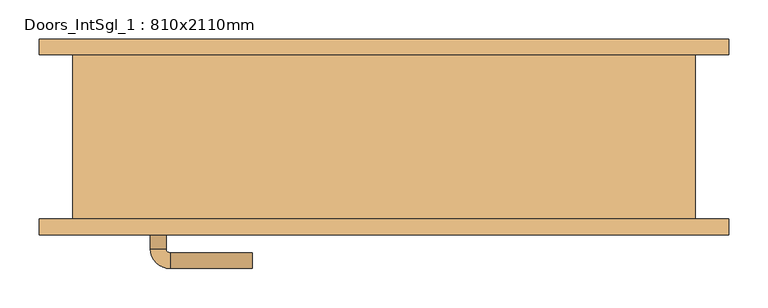
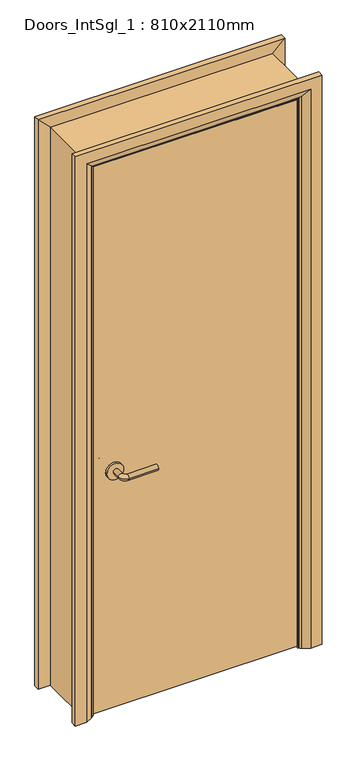
"""IFC4 building model written with IfcOpenShell, lengths in millimetres: door geometry, Doors_IntSgl_1 : 810x2110mm."""

from ifc_helpers import new_model, si_unit, point, frame, frame_2d, origin, place, context, project, spatial, polyline, circle_curve, ellipse_curve, trimmed, segment, composite_curve, outline, extrude, faceted_brep, source, transform, mapped, element, save
from ifc_brep_helpers import plane_surface, cylinder_surface, revolved_surface, advanced_brep


def doors_intsgl_1_810x2110mm_0abac51a(model_context):
    return source(origin(), model_context, "Body", "SolidModel", [
        advanced_brep(
        [(-298.0, -59.0, 900.0), (-278.0, -59.0, 900.0), (-298.0, -29.0, 900.0), (-278.0, -29.0, 900.0), (-273.0, -24.0, 900.0), (-273.0, -4.0, 900.0), (-168.0, -4.0, 900.0), (-168.0, -24.0, 900.0)],
        [
            (0, 1, circle_curve(frame((-288.0, -59.0, 900.0), z_axis=(0.0, -1.0, 0.0), x_axis=(1.0, 0.0, 0.0)), 10.0)),
            (1, 0, circle_curve(frame((-288.0, -59.0, 900.0), z_axis=(0.0, -1.0, 0.0), x_axis=(1.0, 0.0, 0.0)), 10.0)),
            (0, 2),
            (2, 3, circle_curve(frame((-288.0, -29.0, 900.0), z_axis=(0.0, -1.0, 0.0), x_axis=(1.0, 0.0, 0.0)), 10.0)),
            (3, 1),
            (3, 2, circle_curve(frame((-288.0, -29.0, 900.0), z_axis=(0.0, -1.0, 0.0), x_axis=(1.0, 0.0, 0.0)), 10.0)),
            (4, 3, circle_curve(frame((-273.0, -29.0, 900.0), z_axis=(0.0, 0.0, 1.0), x_axis=(-1.0, 0.0, 0.0)), 5.0)),
            (2, 5, circle_curve(frame((-273.0, -29.0, 900.0), z_axis=(0.0, 0.0, -1.0), x_axis=(-1.0, 0.0, 0.0)), 25.0)),
            (5, 4, circle_curve(frame((-273.0, -14.0, 900.0), z_axis=(-1.0, 0.0, 0.0), x_axis=(0.0, -1.0, 0.0)), 10.0)),
            (4, 5, circle_curve(frame((-273.0, -14.0, 900.0), z_axis=(-1.0, 0.0, 0.0), x_axis=(0.0, -1.0, 0.0)), 10.0)),
            (6, 7, circle_curve(frame((-168.0, -14.0, 900.0), z_axis=(1.0, 0.0, 0.0), x_axis=(0.0, -1.0, 0.0)), 10.0)),
            (7, 6, circle_curve(frame((-168.0, -14.0, 900.0), z_axis=(1.0, 0.0, 0.0), x_axis=(0.0, -1.0, 0.0)), 10.0)),
            (5, 6),
            (7, 4),
        ],
        [
            plane_surface(frame((-288.0, -59.0, 900.0), z_axis=(0.0, -1.0, 0.0), x_axis=(0.0, 0.0, 1.0))),
            cylinder_surface(frame((-288.0, -59.0, 900.0), z_axis=(0.0, -1.0, 0.0), x_axis=(1.0, 0.0, 0.0)), 10.0),
            revolved_surface(trimmed(ellipse_curve(frame((-288.0, -29.0, 900.0), z_axis=(0.0, -1.0, 0.0), x_axis=(1.0, 0.0, 0.0)), 10.0, 10.0), [point((-298.0, -29.0, 900.0))], [point((-278.0, -29.0, 900.0))], True, "CARTESIAN"), (-273.0, -29.0, 900.0), (0.0, 0.0, -1.0)),
            revolved_surface(trimmed(ellipse_curve(frame((-288.0, -29.0, 900.0), z_axis=(0.0, -1.0, 0.0), x_axis=(1.0, 0.0, 0.0)), 10.0, 10.0), [point((-278.0, -29.0, 900.0))], [point((-298.0, -29.0, 900.0))], True, "CARTESIAN"), (-273.0, -29.0, 900.0), (0.0, 0.0, -1.0)),
            plane_surface(frame((-168.0, -14.0, 900.0), z_axis=(1.0, 0.0, 0.0), x_axis=(0.0, 0.0, 1.0))),
            cylinder_surface(frame((-273.0, -14.0, 900.0), z_axis=(-1.0, 0.0, 0.0), x_axis=(0.0, -1.0, 0.0)), 10.0),
        ],
        [
            (0, [[1, 2]]),
            (1, [[-1, 3, 4, 5]]),
            (1, [[-2, -5, 6, -3]]),
            (2, [[7, -4, 8, 9]]),
            (3, [[-8, -6, -7, 10]]),
            (4, [[11, 12]]),
            (5, [[-9, 13, -12, 14]]),
            (5, [[-10, -14, -11, -13]]),
        ],
    ),
        extrude(outline(composite_curve([segment(trimmed(circle_curve(frame_2d((900.0, -290.5)), 30.0), [point((900.0, -320.5))], [point((900.0, -260.5))], False, "CARTESIAN"), True, "CONTINUOUS"), segment(trimmed(circle_curve(frame_2d((900.0, -290.5)), 30.0), [point((900.0, -260.5))], [point((900.0, -320.5))], False, "CARTESIAN"), True, "CONTINUOUS")], self_intersect=False)), frame((0.0, -67.0, 0.0), z_axis=(0.0, 1.0, 0.0), x_axis=(0.0, 0.0, 1.0)), (0.0, 0.0, 1.0), 8.0),
        advanced_brep(
        [(-298.0, -113.0, 900.0), (-278.0, -113.0, 900.0), (-278.0, -143.0, 900.0), (-298.0, -143.0, 900.0), (-273.0, -148.0, 900.0), (-273.0, -168.0, 900.0), (-168.0, -168.0, 900.0), (-168.0, -148.0, 900.0)],
        [
            (0, 1, circle_curve(frame((-288.0, -113.0, 900.0), z_axis=(0.0, 1.0, 0.0), x_axis=(1.0, 0.0, 0.0)), 10.0)),
            (1, 0, circle_curve(frame((-288.0, -113.0, 900.0), z_axis=(0.0, 1.0, 0.0), x_axis=(1.0, 0.0, 0.0)), 10.0)),
            (1, 2),
            (2, 3, circle_curve(frame((-288.0, -143.0, 900.0), z_axis=(0.0, 1.0, 0.0), x_axis=(1.0, 0.0, 0.0)), 10.0)),
            (3, 0),
            (3, 2, circle_curve(frame((-288.0, -143.0, 900.0), z_axis=(0.0, 1.0, 0.0), x_axis=(1.0, 0.0, 0.0)), 10.0)),
            (4, 5, circle_curve(frame((-273.0, -158.0, 900.0), z_axis=(-1.0, 0.0, 0.0), x_axis=(0.0, 1.0, 0.0)), 10.0)),
            (5, 3, circle_curve(frame((-273.0, -143.0, 900.0), z_axis=(0.0, 0.0, -1.0), x_axis=(-1.0, 0.0, 0.0)), 25.0)),
            (2, 4, circle_curve(frame((-273.0, -143.0, 900.0), z_axis=(0.0, 0.0, 1.0), x_axis=(-1.0, 0.0, 0.0)), 5.0)),
            (5, 4, circle_curve(frame((-273.0, -158.0, 900.0), z_axis=(-1.0, 0.0, 0.0), x_axis=(0.0, 1.0, 0.0)), 10.0)),
            (6, 7, circle_curve(frame((-168.0, -158.0, 900.0), z_axis=(1.0, 0.0, 0.0), x_axis=(0.0, 1.0, 0.0)), 10.0)),
            (7, 6, circle_curve(frame((-168.0, -158.0, 900.0), z_axis=(1.0, 0.0, 0.0), x_axis=(0.0, 1.0, 0.0)), 10.0)),
            (4, 7),
            (6, 5),
        ],
        [
            plane_surface(frame((-288.0, -113.0, 900.0), z_axis=(0.0, 1.0, 0.0), x_axis=(0.0, 0.0, 1.0))),
            cylinder_surface(frame((-288.0, -113.0, 900.0), z_axis=(0.0, 1.0, 0.0), x_axis=(1.0, 0.0, 0.0)), 10.0),
            revolved_surface(trimmed(ellipse_curve(frame((-288.0, -143.0, 900.0), z_axis=(0.0, -1.0, 0.0), x_axis=(1.0, 0.0, 0.0)), 10.0, 10.0), [point((-298.0, -143.0, 900.0))], [point((-278.0, -143.0, 900.0))], True, "CARTESIAN"), (-273.0, -143.0, 900.0), (0.0, 0.0, -1.0)),
            revolved_surface(trimmed(ellipse_curve(frame((-288.0, -143.0, 900.0), z_axis=(0.0, -1.0, 0.0), x_axis=(1.0, 0.0, 0.0)), 10.0, 10.0), [point((-278.0, -143.0, 900.0))], [point((-298.0, -143.0, 900.0))], True, "CARTESIAN"), (-273.0, -143.0, 900.0), (0.0, 0.0, -1.0)),
            plane_surface(frame((-168.0, -158.0, 900.0), z_axis=(1.0, 0.0, 0.0), x_axis=(0.0, 0.0, 1.0))),
            cylinder_surface(frame((-273.0, -158.0, 900.0), z_axis=(-1.0, 0.0, 0.0), x_axis=(0.0, 1.0, 0.0)), 10.0),
        ],
        [
            (0, [[1, 2]]),
            (1, [[3, 4, 5, -2]]),
            (1, [[-5, 6, -3, -1]]),
            (2, [[7, 8, -4, 9]]),
            (3, [[10, -9, -6, -8]]),
            (4, [[11, 12]]),
            (5, [[13, -11, 14, -7]]),
            (5, [[-14, -12, -13, -10]]),
        ],
    ),
        extrude(outline(composite_curve([segment(trimmed(circle_curve(frame_2d((900.0, -290.5)), 30.0), [point((900.0, -320.5))], [point((900.0, -260.5))], False, "CARTESIAN"), True, "CONTINUOUS"), segment(trimmed(circle_curve(frame_2d((900.0, -290.5)), 30.0), [point((900.0, -260.5))], [point((900.0, -320.5))], False, "CARTESIAN"), True, "CONTINUOUS")], self_intersect=False)), frame((0.0, -113.0, 0.0), z_axis=(0.0, 1.0, 0.0), x_axis=(0.0, 0.0, 1.0)), (0.0, 0.0, 1.0), 8.0),
        extrude(outline(polyline([(363.0, -67.0), (363.0, -105.0), (-363.0, -105.0), (-363.0, -67.0), (363.0, -67.0)])), frame((0.0, 0.0, 8.0), z_axis=(0.0, 0.0, 1.0), x_axis=(1.0, 0.0, 0.0)), (0.0, 0.0, 1.0), 2060.0),
        advanced_brep(
        [(440.0, -125.0, 0.0), (400.0, -125.0, 0.0), (374.0, -111.0, 0.0), (370.0, -105.0, 0.0), (440.0, -105.0, 0.0), (440.0, -105.0, 2145.0), (440.0, -125.0, 2145.0), (370.0, -105.0, 2075.0), (-370.0, -105.0, 2075.0), (-370.0, -105.0, 0.0), (-440.0, -105.0, 0.0), (-440.0, -105.0, 2145.0), (374.0, -111.0, 2079.0), (400.0, -125.0, 2105.0), (-440.0, -125.0, 2145.0), (-440.0, -125.0, 0.0), (-400.0, -125.0, 0.0), (-400.0, -125.0, 2105.0), (-374.0, -111.0, 0.0), (-374.0, -111.0, 2079.0)],
        [
            (0, 1),
            (1, 2),
            (2, 3, circle_curve(frame((378.0, -104.0, 0.0), z_axis=(0.0, 0.0, -1.0), x_axis=(1.0, 0.0, 0.0)), 8.0622577)),
            (3, 4),
            (4, 0),
            (4, 5),
            (5, 6),
            (6, 0),
            (3, 7),
            (7, 8),
            (8, 9),
            (9, 10),
            (10, 11),
            (11, 5),
            (2, 12),
            (12, 7, ellipse_curve(frame((378.0, -104.0, 2083.0), z_axis=(0.7071067811865475, 0.0, -0.7071067811865475), x_axis=(-0.7071067811865474, 0.0, -0.7071067811865476)), 11.4017543, 8.0622577)),
            (1, 13),
            (13, 12),
            (6, 14),
            (14, 15),
            (15, 16),
            (16, 17),
            (17, 13),
            (10, 15),
            (14, 11),
            (9, 18, circle_curve(frame((-378.0, -104.0, 0.0), z_axis=(0.0, 0.0, -1.0), x_axis=(-1.0, 0.0, 0.0)), 8.0622577)),
            (18, 16),
            (19, 18),
            (8, 19, ellipse_curve(frame((-378.0, -104.0, 2083.0), z_axis=(-0.7071067811865475, 0.0, -0.7071067811865475), x_axis=(-0.7071067811865474, 0.0, 0.7071067811865476)), 11.4017543, 8.0622577)),
            (19, 17),
            (12, 19),
        ],
        [
            plane_surface(frame((370.0, -105.0, 0.0), z_axis=(0.0, 0.0, -1.0), x_axis=(0.0, 1.0, 0.0))),
            plane_surface(frame((440.0, -125.0, 0.0), z_axis=(1.0, 0.0, 0.0), x_axis=(0.0, 0.0, 1.0))),
            plane_surface(frame((440.0, -105.0, 0.0), z_axis=(0.0, 1.0, 0.0), x_axis=(0.0, 0.0, 1.0))),
            cylinder_surface(frame((378.0, -104.0, 0.0), z_axis=(0.0, 0.0, -1.0), x_axis=(1.0, 0.0, 0.0)), 8.0622577),
            plane_surface(frame((374.0, -111.0, 0.0), z_axis=(-0.4740998230350126, -0.880471099922178, 0.0), x_axis=(0.0, 0.0, 1.0))),
            plane_surface(frame((400.0, -125.0, 0.0), z_axis=(0.0, -1.0, 0.0), x_axis=(0.0, 0.0, 1.0))),
            plane_surface(frame((-440.0, -125.0, 2145.0), z_axis=(-1.0, 0.0, 0.0), x_axis=(0.0, 0.0, -1.0))),
            plane_surface(frame((-370.0, -105.0, 0.0), z_axis=(0.0, 0.0, -1.0), x_axis=(0.0, 1.0, 0.0))),
            cylinder_surface(frame((-378.0, -104.0, 2075.0), z_axis=(0.0, 0.0, 1.0), x_axis=(-1.0, 0.0, 0.0)), 8.0622577),
            plane_surface(frame((-374.0, -111.0, 2079.0), z_axis=(0.47409982303501824, -0.8804710999221749, 0.0), x_axis=(0.0, 0.0, -1.0))),
            plane_surface(frame((440.0, -125.0, 2145.0), z_axis=(0.0, 0.0, 1.0), x_axis=(-1.0, 0.0, 0.0))),
            cylinder_surface(frame((370.0, -104.0, 2083.0), z_axis=(1.0, 0.0, 0.0), x_axis=(0.0, 0.0, 1.0)), 8.0622577),
            plane_surface(frame((374.0, -111.0, 2079.0), z_axis=(0.0, -0.8804710999221764, -0.4740998230350154), x_axis=(-1.0, 0.0, 0.0))),
        ],
        [
            (0, [[1, 2, 3, 4, 5]]),
            (1, [[6, 7, 8, -5]]),
            (2, [[9, 10, 11, 12, 13, 14, -6, -4]]),
            (3, [[15, 16, -9, -3]]),
            (4, [[17, 18, -15, -2]]),
            (5, [[-8, 19, 20, 21, 22, 23, -17, -1]]),
            (6, [[-13, 24, -20, 25]]),
            (7, [[-24, -12, 26, 27, -21]]),
            (8, [[28, -26, -11, 29]]),
            (9, [[-22, -27, -28, 30]]),
            (10, [[-14, -25, -19, -7]]),
            (11, [[31, -29, -10, -16]]),
            (12, [[-23, -30, -31, -18]]),
        ],
    ),
        extrude(outline(polyline([(0.0, -346.0), (2051.0, -346.0), (2051.0, 346.0), (0.0, 346.0), (0.0, 365.0), (2070.0, 365.0), (2070.0, -365.0), (0.0, -365.0), (0.0, -346.0)])), frame((0.0, -65.0, 0.0), z_axis=(0.0, 1.0, 0.0), x_axis=(0.0, 0.0, 1.0)), (0.0, 0.0, 1.0), 32.0),
        advanced_brep(
        [(-440.0, 125.0, 0.0), (-400.0, 125.0, 0.0), (-374.0, 111.0, 0.0), (-370.0, 105.0, 0.0), (-440.0, 105.0, 0.0), (-440.0, 105.0, 2145.0), (-440.0, 125.0, 2145.0), (-370.0, 105.0, 2075.0), (-374.0, 111.0, 2079.0), (-400.0, 125.0, 2105.0), (440.0, 125.0, 0.0), (440.0, 105.0, 0.0), (370.0, 105.0, 0.0), (374.0, 111.0, 0.0), (400.0, 125.0, 0.0), (440.0, 125.0, 2145.0), (400.0, 125.0, 2105.0), (374.0, 111.0, 2079.0), (370.0, 105.0, 2075.0), (440.0, 105.0, 2145.0)],
        [
            (0, 1),
            (1, 2),
            (2, 3, circle_curve(frame((-378.0, 104.0, 0.0), z_axis=(0.0, 0.0, -1.0), x_axis=(-1.0, 0.0, 0.0)), 8.0622577)),
            (3, 4),
            (4, 0),
            (4, 5),
            (5, 6),
            (6, 0),
            (3, 7),
            (7, 5),
            (2, 8),
            (8, 7, ellipse_curve(frame((-378.0, 104.0, 2083.0), z_axis=(-0.7071067811865475, 0.0, -0.7071067811865475), x_axis=(0.7071067811865474, 0.0, -0.7071067811865476)), 11.4017543, 8.0622577)),
            (1, 9),
            (9, 8),
            (6, 9),
            (10, 11),
            (11, 12),
            (12, 13, circle_curve(frame((378.0, 104.0, 0.0), z_axis=(0.0, 0.0, -1.0), x_axis=(1.0, 0.0, 0.0)), 8.0622577)),
            (13, 14),
            (14, 10),
            (15, 10),
            (14, 16),
            (16, 15),
            (13, 17),
            (17, 16),
            (12, 18),
            (18, 17, ellipse_curve(frame((378.0, 104.0, 2083.0), z_axis=(0.7071067811865475, 0.0, -0.7071067811865475), x_axis=(0.7071067811865474, 0.0, 0.7071067811865476)), 11.4017543, 8.0622577)),
            (11, 19),
            (19, 18),
            (15, 19),
            (5, 19),
            (15, 6),
            (7, 18),
            (8, 17),
            (9, 16),
        ],
        [
            plane_surface(frame((-370.0, 177.8010989, 0.0), z_axis=(0.0, 0.0, -1.0), x_axis=(1.0, 0.0, 0.0))),
            plane_surface(frame((-440.0, 125.0, 0.0), z_axis=(-1.0, 0.0, 0.0), x_axis=(0.0, 0.0, 1.0))),
            plane_surface(frame((-440.0, 105.0, 0.0), z_axis=(0.0, -1.0, 0.0), x_axis=(0.0, 0.0, 1.0))),
            cylinder_surface(frame((-378.0, 104.0, 0.0), z_axis=(0.0, 0.0, -1.0), x_axis=(-1.0, 0.0, 0.0)), 8.0622577),
            plane_surface(frame((-374.0, 111.0, 0.0), z_axis=(0.4740998230350183, 0.8804710999221749, 0.0), x_axis=(0.0, 0.0, 1.0))),
            plane_surface(frame((-400.0, 125.0, 0.0), z_axis=(0.0, 1.0, 0.0), x_axis=(0.0, 0.0, 1.0))),
            plane_surface(frame((370.0, 177.8010989, 0.0), z_axis=(0.0, 0.0, -1.0), x_axis=(-1.0, 0.0, 0.0))),
            plane_surface(frame((400.0, 125.0, 2105.0), z_axis=(0.0, 1.0, 0.0), x_axis=(0.0, 0.0, -1.0))),
            plane_surface(frame((374.0, 111.0, 2079.0), z_axis=(-0.4740998230350183, 0.8804710999221749, 0.0), x_axis=(0.0, 0.0, -1.0))),
            cylinder_surface(frame((378.0, 104.0, 2075.0), z_axis=(0.0, 0.0, 1.0), x_axis=(1.0, 0.0, 0.0)), 8.0622577),
            plane_surface(frame((440.0, 105.0, 2145.0), z_axis=(0.0, -1.0, 0.0), x_axis=(0.0, 0.0, -1.0))),
            plane_surface(frame((440.0, 125.0, 2145.0), z_axis=(1.0, 0.0, 0.0), x_axis=(0.0, 0.0, -1.0))),
            plane_surface(frame((-440.0, 125.0, 2145.0), z_axis=(0.0, 0.0, 1.0), x_axis=(1.0, 0.0, 0.0))),
            plane_surface(frame((-440.0, 105.0, 2145.0), z_axis=(0.0, -1.0, 0.0), x_axis=(1.0, 0.0, 0.0))),
            cylinder_surface(frame((-370.0, 104.0, 2083.0), z_axis=(-1.0, 0.0, 0.0), x_axis=(0.0, 0.0, 1.0)), 8.0622577),
            plane_surface(frame((-374.0, 111.0, 2079.0), z_axis=(0.0, 0.8804710999221749, -0.4740998230350183), x_axis=(1.0, 0.0, 0.0))),
            plane_surface(frame((-400.0, 125.0, 2105.0), z_axis=(0.0, 1.0, 0.0), x_axis=(1.0, 0.0, 0.0))),
        ],
        [
            (0, [[1, 2, 3, 4, 5]]),
            (1, [[6, 7, 8, -5]]),
            (2, [[9, 10, -6, -4]]),
            (3, [[11, 12, -9, -3]]),
            (4, [[13, 14, -11, -2]]),
            (5, [[-8, 15, -13, -1]]),
            (6, [[16, 17, 18, 19, 20]]),
            (7, [[21, -20, 22, 23]]),
            (8, [[-22, -19, 24, 25]]),
            (9, [[-24, -18, 26, 27]]),
            (10, [[-26, -17, 28, 29]]),
            (11, [[-28, -16, -21, 30]]),
            (12, [[31, -30, 32, -7]]),
            (13, [[33, -29, -31, -10]]),
            (14, [[34, -27, -33, -12]]),
            (15, [[35, -25, -34, -14]]),
            (16, [[-32, -23, -35, -15]]),
        ],
    ),
        faceted_brep([(-365.0, -105.0, 0.0), (-397.0, -105.0, 0.0), (-397.0, 105.0, 0.0), (-365.0, 105.0, 0.0), (-365.0, 105.0, 2070.0), (-365.0, -105.0, 2070.0), (-397.0, 105.0, 2102.0), (-397.0, -105.0, 2102.0), (365.0, -105.0, 0.0), (365.0, 105.0, 0.0), (397.0, 105.0, 0.0), (397.0, -105.0, 0.0), (365.0, -105.0, 2070.0), (397.0, -105.0, 2102.0), (397.0, 105.0, 2102.0), (365.0, 105.0, 2070.0)], [[[0, 1, 2, 3]], [[3, 4, 5, 0]], [[2, 6, 4, 3]], [[1, 7, 6, 2]], [[0, 5, 7, 1]], [[8, 9, 10, 11]], [[12, 8, 11, 13]], [[13, 11, 10, 14]], [[14, 10, 9, 15]], [[15, 9, 8, 12]], [[4, 15, 12, 5]], [[6, 14, 15, 4]], [[7, 13, 14, 6]], [[5, 12, 13, 7]]]),
    ])


if __name__ == "__main__":
    model = new_model("IFC4")
    model_context = context("Model", 3, world=origin())
    ifc_project = project(units=[si_unit("LENGTHUNIT", "METRE", prefix="MILLI")], contexts=[model_context])
    site = spatial("IfcSite", under=ifc_project)
    building = spatial("IfcBuilding", under=site)
    placement = place(None, origin())
    doors_intsgl_1_810x2110mm_shape = doors_intsgl_1_810x2110mm_0abac51a(model_context)
    element("IfcDoor", 1, ObjectType="Doors_IntSgl_1 : 810x2110mm", at=placement, inside=building, context=model_context, shape_type="MappedRepresentation", body=[
        mapped(doors_intsgl_1_810x2110mm_shape, transform((0.0, 0.0, 0.0), x_axis=(1.0, 0.0, 0.0), y_axis=(0.0, 1.0, 0.0), z_axis=(0.0, 0.0, 1.0))),
    ])
    save(model, "model.ifc")
